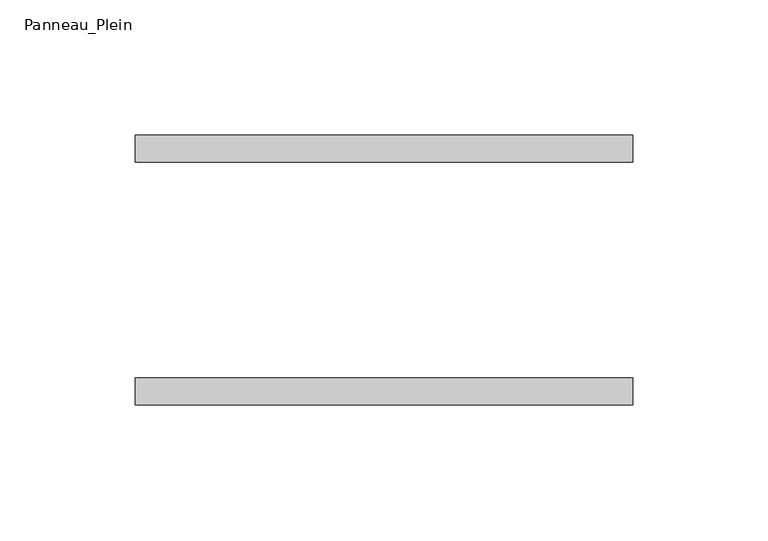
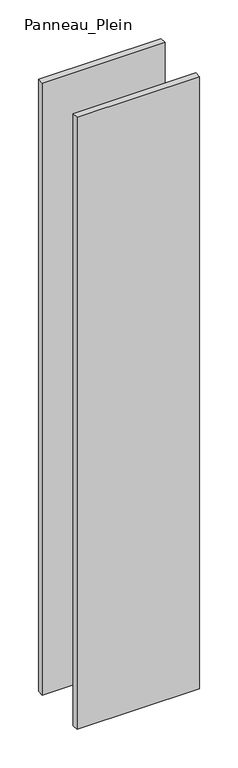
"""IFC4 building model written with IfcOpenShell, lengths in millimetres: plate geometry, Panneau_Plein."""

from ifc_helpers import new_model, si_unit, origin, origin_with_axes, place, context, project, spatial, polyline, outline, extrude, source, transform, mapped, element, save


def panneau_plein_4c382d57(model_context):
    return source(origin(), model_context, "Body", "SweptSolid", [
        extrude(outline(polyline([(92.0766498, 50.0), (92.0766498, 40.0), (-92.0766498, 40.0), (-92.0766498, 50.0), (92.0766498, 50.0)])), origin_with_axes(), (0.0, 0.0, 1.0), 969.867499),
        extrude(outline(polyline([(92.0766498, -40.0), (92.0766498, -50.0), (-92.0766498, -50.0), (-92.0766498, -40.0), (92.0766498, -40.0)])), origin_with_axes(), (0.0, 0.0, 1.0), 969.867499),
    ])


if __name__ == "__main__":
    model = new_model("IFC4")
    model_context = context("Model", 3, world=origin())
    ifc_project = project(units=[si_unit("LENGTHUNIT", "METRE", prefix="MILLI")], contexts=[model_context])
    site = spatial("IfcSite", under=ifc_project)
    building = spatial("IfcBuilding", under=site)
    placement = place(None, origin())
    panneau_plein_shape = panneau_plein_4c382d57(model_context)
    element("IfcPlate", 1, ObjectType="Panneau_Plein", at=placement, inside=building, context=model_context, shape_type="MappedRepresentation", body=[
        mapped(panneau_plein_shape, transform((0.0, 0.0, 0.0), x_axis=(1.0, 0.0, 0.0), y_axis=(0.0, 1.0, 0.0), z_axis=(0.0, 0.0, 1.0))),
    ])
    save(model, "model.ifc")
